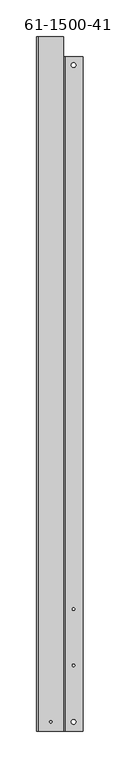
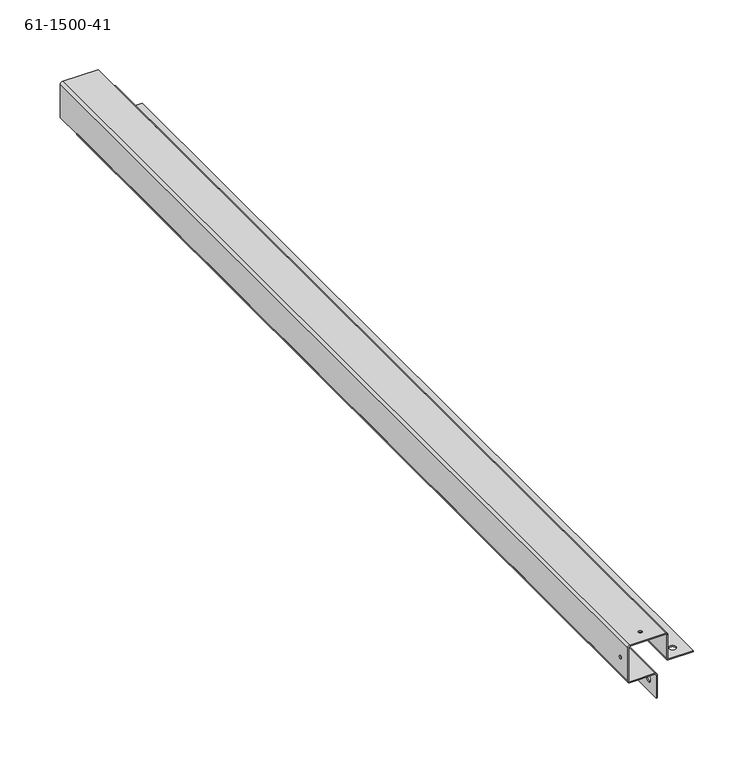
"""IFC4 building model written with IfcOpenShell, lengths in millimetres: proxy geometry, 61-1500-41."""

from ifc_helpers import new_model, si_unit, frame, origin, place, context, project, spatial, polyline, circle_curve, source, transform, mapped, element, save
from ifc_brep_helpers import plane_surface, cylinder_surface, revolved_surface, advanced_brep


def proxy_61_1500_41_99f2cf4b(model_context):
    return source(origin(), model_context, "Body", "AdvancedBrep", [
        advanced_brep(
        [(-22.5148049, -201.8149599, -26.93416), (-22.5148049, -201.8149599, -25.92832), (-28.8648049, -201.8149599, -25.92832), (-28.8648049, -201.8149599, -26.93416), (-22.5148049, 687.1850401, -26.93416), (-22.5148049, 687.1850401, -25.92832), (-28.8648049, 687.1850401, -25.92832), (-28.8648049, 687.1850401, -26.93416), (-47.6963649, -201.8149599, -45.76572), (-48.7022049, -201.8149599, -45.76572), (-48.7022049, -201.8149599, -52.11572), (-47.6963649, -201.8149599, -52.11572), (-47.6963649, 687.1850401, -45.76572), (-48.7022049, 687.1850401, -45.76572), (-48.7022049, 687.1850401, -52.11572), (-47.6963649, 687.1850401, -52.11572), (-74.6305249, -201.8149599, -16.52016), (-75.6363649, -201.8149599, -16.52016), (-75.6363649, -201.8149599, -19.56816), (-74.6305249, -201.8149599, -19.56816), (-55.0623649, -201.8149599, 0.0), (-55.0623649, -201.8149599, 1.00584), (-58.1103649, -201.8149599, 1.00584), (-58.1103649, -201.8149599, 0.0), (-23.9753049, -49.1101599, -26.93416), (-23.9753049, -49.1101599, -25.92832), (-27.4043049, -49.1101599, -25.92832), (-27.4043049, -49.1101599, -26.93416), (-23.9753049, -125.3101599, -26.93416), (-23.9753049, -125.3101599, -25.92832), (-27.4043049, -125.3101599, -25.92832), (-27.4043049, -125.3101599, -26.93416), (-47.6963649, -49.1101599, -47.22622), (-48.7022049, -49.1101599, -47.22622), (-48.7022049, -49.1101599, -50.65522), (-47.6963649, -49.1101599, -50.65522), (-47.6963649, -125.3101599, -47.22622), (-48.7022049, -125.3101599, -47.22622), (-48.7022049, -125.3101599, -50.65522), (-47.6963649, -125.3101599, -50.65522), (-75.6363649, 698.3661201, -35.08248), (-73.6246849, 698.3661201, -37.09416), (-73.6246849, -214.2101599, -37.09416), (-75.6363649, -214.2101599, -35.08248), (-49.7080449, 698.3661201, -37.09416), (-49.7080449, -214.2101599, -37.09416), (-49.7080449, 698.3661201, -36.08832), (-73.6246849, 698.3661201, -36.08832), (-73.6246849, -214.2101599, -36.08832), (-49.7080449, -214.2101599, -36.08832), (-39.5480449, 698.3661201, 0.0), (-38.5422049, 698.3661201, -1.00584), (-38.5422049, -214.2101599, -1.00584), (-39.5480449, -214.2101599, 0.0), (-73.6246849, -214.2101599, 1.00584), (-75.6363649, -214.2101599, -1.00584), (-48.7022049, -214.2101599, -38.1), (-48.7022049, -214.2101599, -61.48832), (-47.6963649, -214.2101599, -61.48832), (-47.6963649, -214.2101599, -38.1), (-74.6305249, -214.2101599, -35.08248), (-74.6305249, -214.2101599, -1.00584), (-73.6246849, -214.2101599, 0.0), (-38.5422049, -214.2101599, -24.92248), (-36.5305249, -214.2101599, -26.93416), (-13.1422049, -214.2101599, -26.93416), (-13.1422049, -214.2101599, -25.92832), (-36.5305249, -214.2101599, -25.92832), (-37.5363649, -214.2101599, -24.92248), (-37.5363649, -214.2101599, -1.00584), (-39.5480449, -214.2101599, 1.00584), (-38.5422049, 698.3661201, -24.92248), (-36.5305249, 698.3661201, -26.93416), (-73.6246849, 725.2850401, 0.0), (-39.5480449, 725.2850401, 0.0), (-74.6305249, 725.2850401, -1.00584), (-73.6246849, 725.2850401, 1.00584), (-75.6363649, 725.2850401, -1.00584), (-39.5480449, 698.3661201, 1.00584), (-39.5480449, 725.2850401, 1.00584), (-74.6305249, 698.3661201, -35.08248), (-74.6305249, 725.2850401, -35.08248), (-47.6963649, 698.3661201, -38.1), (-47.6963649, 698.3661201, -61.48832), (-48.7022049, 698.3661201, -61.48832), (-48.7022049, 698.3661201, -38.1), (-37.5363649, 698.3661201, -1.00584), (-37.5363649, 698.3661201, -24.92248), (-36.5305249, 698.3661201, -25.92832), (-13.1422049, 698.3661201, -25.92832), (-13.1422049, 698.3661201, -26.93416), (-75.6363649, 725.2850401, -35.08248)],
        [
            (0, 1),
            (1, 2, circle_curve(frame((-25.6898049, -201.8149599, -25.92832), z_axis=(0.0, 0.0, 1.0), x_axis=(1.0, 0.0, 0.0)), 3.175)),
            (2, 3),
            (3, 0, circle_curve(frame((-25.6898049, -201.8149599, -26.93416), z_axis=(0.0, 0.0, -1.0), x_axis=(1.0, 0.0, 0.0)), 3.175)),
            (4, 5),
            (5, 6, circle_curve(frame((-25.6898049, 687.1850401, -25.92832), z_axis=(0.0, 0.0, 1.0), x_axis=(1.0, 0.0, 0.0)), 3.175)),
            (6, 7),
            (7, 4, circle_curve(frame((-25.6898049, 687.1850401, -26.93416), z_axis=(0.0, 0.0, -1.0), x_axis=(1.0, 0.0, 0.0)), 3.175)),
            (8, 9),
            (9, 10, circle_curve(frame((-48.7022049, -201.8149599, -48.94072), z_axis=(-1.0, 0.0, 0.0), x_axis=(0.0, 0.0, 1.0)), 3.175)),
            (10, 11),
            (11, 8, circle_curve(frame((-47.6963649, -201.8149599, -48.94072), z_axis=(1.0, 0.0, 0.0), x_axis=(0.0, 0.0, 1.0)), 3.175)),
            (12, 13),
            (13, 14, circle_curve(frame((-48.7022049, 687.1850401, -48.94072), z_axis=(-1.0, 0.0, 0.0), x_axis=(0.0, 0.0, 1.0)), 3.175)),
            (14, 15),
            (15, 12, circle_curve(frame((-47.6963649, 687.1850401, -48.94072), z_axis=(1.0, 0.0, 0.0), x_axis=(0.0, 0.0, 1.0)), 3.175)),
            (16, 17),
            (17, 18, circle_curve(frame((-75.6363649, -201.8149599, -18.04416), z_axis=(-1.0, 0.0, 0.0), x_axis=(0.0, 0.0, 1.0)), 1.524)),
            (18, 19),
            (19, 16, circle_curve(frame((-74.6305249, -201.8149599, -18.04416), z_axis=(1.0, 0.0, 0.0), x_axis=(0.0, 0.0, 1.0)), 1.524)),
            (20, 21),
            (21, 22, circle_curve(frame((-56.5863649, -201.8149599, 1.00584), z_axis=(0.0, 0.0, 1.0), x_axis=(1.0, 0.0, 0.0)), 1.524)),
            (22, 23),
            (23, 20, circle_curve(frame((-56.5863649, -201.8149599, 0.0), z_axis=(0.0, 0.0, -1.0), x_axis=(1.0, 0.0, 0.0)), 1.524)),
            (24, 25),
            (25, 26, circle_curve(frame((-25.6898049, -49.1101599, -25.92832), z_axis=(0.0, 0.0, 1.0), x_axis=(1.0, 0.0, 0.0)), 1.7145)),
            (26, 27),
            (27, 24, circle_curve(frame((-25.6898049, -49.1101599, -26.93416), z_axis=(0.0, 0.0, -1.0), x_axis=(1.0, 0.0, 0.0)), 1.7145)),
            (28, 29),
            (29, 30, circle_curve(frame((-25.6898049, -125.3101599, -25.92832), z_axis=(0.0, 0.0, 1.0), x_axis=(1.0, 0.0, 0.0)), 1.7145)),
            (30, 31),
            (31, 28, circle_curve(frame((-25.6898049, -125.3101599, -26.93416), z_axis=(0.0, 0.0, -1.0), x_axis=(1.0, 0.0, 0.0)), 1.7145)),
            (32, 33),
            (33, 34, circle_curve(frame((-48.7022049, -49.1101599, -48.94072), z_axis=(-1.0, 0.0, 0.0), x_axis=(0.0, 0.0, 1.0)), 1.7145)),
            (34, 35),
            (35, 32, circle_curve(frame((-47.6963649, -49.1101599, -48.94072), z_axis=(1.0, 0.0, 0.0), x_axis=(0.0, 0.0, 1.0)), 1.7145)),
            (36, 37),
            (37, 38, circle_curve(frame((-48.7022049, -125.3101599, -48.94072), z_axis=(-1.0, 0.0, 0.0), x_axis=(0.0, 0.0, 1.0)), 1.7145)),
            (38, 39),
            (39, 36, circle_curve(frame((-47.6963649, -125.3101599, -48.94072), z_axis=(1.0, 0.0, 0.0), x_axis=(0.0, 0.0, 1.0)), 1.7145)),
            (40, 41, circle_curve(frame((-73.6246849, 698.3661201, -35.08248), z_axis=(0.0, -1.0, 0.0), x_axis=(-1.0, 0.0, 0.0)), 2.01168)),
            (41, 42),
            (42, 43, circle_curve(frame((-73.6246849, -214.2101599, -35.08248), z_axis=(0.0, 1.0, 0.0), x_axis=(-1.0, 0.0, 0.0)), 2.01168)),
            (43, 40),
            (41, 44),
            (44, 45),
            (45, 42),
            (46, 47),
            (47, 48),
            (48, 49),
            (49, 46),
            (50, 51, circle_curve(frame((-39.5480449, 698.3661201, -1.00584), z_axis=(0.0, 1.0, 0.0), x_axis=(0.0, 0.0, 1.0)), 1.00584)),
            (51, 52),
            (52, 53, circle_curve(frame((-39.5480449, -214.2101599, -1.00584), z_axis=(0.0, -1.0, 0.0), x_axis=(0.0, 0.0, 1.0)), 1.00584)),
            (53, 50),
            (36, 39, circle_curve(frame((-47.6963649, -125.3101599, -48.94072), z_axis=(1.0, 0.0, 0.0), x_axis=(0.0, 0.0, 1.0)), 1.7145)),
            (38, 37, circle_curve(frame((-48.7022049, -125.3101599, -48.94072), z_axis=(-1.0, 0.0, 0.0), x_axis=(0.0, 0.0, 1.0)), 1.7145)),
            (32, 35, circle_curve(frame((-47.6963649, -49.1101599, -48.94072), z_axis=(1.0, 0.0, 0.0), x_axis=(0.0, 0.0, 1.0)), 1.7145)),
            (34, 33, circle_curve(frame((-48.7022049, -49.1101599, -48.94072), z_axis=(-1.0, 0.0, 0.0), x_axis=(0.0, 0.0, 1.0)), 1.7145)),
            (28, 31, circle_curve(frame((-25.6898049, -125.3101599, -26.93416), z_axis=(0.0, 0.0, -1.0), x_axis=(1.0, 0.0, 0.0)), 1.7145)),
            (30, 29, circle_curve(frame((-25.6898049, -125.3101599, -25.92832), z_axis=(0.0, 0.0, 1.0), x_axis=(1.0, 0.0, 0.0)), 1.7145)),
            (24, 27, circle_curve(frame((-25.6898049, -49.1101599, -26.93416), z_axis=(0.0, 0.0, -1.0), x_axis=(1.0, 0.0, 0.0)), 1.7145)),
            (26, 25, circle_curve(frame((-25.6898049, -49.1101599, -25.92832), z_axis=(0.0, 0.0, 1.0), x_axis=(1.0, 0.0, 0.0)), 1.7145)),
            (54, 55, circle_curve(frame((-73.6246849, -214.2101599, -1.00584), z_axis=(0.0, -1.0, 0.0), x_axis=(0.0, 0.0, 1.0)), 2.01168)),
            (55, 43),
            (45, 56, circle_curve(frame((-49.7080449, -214.2101599, -38.1), z_axis=(0.0, 1.0, 0.0), x_axis=(0.0, 0.0, 1.0)), 1.00584)),
            (56, 57),
            (57, 58),
            (58, 59),
            (59, 49, circle_curve(frame((-49.7080449, -214.2101599, -38.1), z_axis=(0.0, -1.0, 0.0), x_axis=(0.0, 0.0, 1.0)), 2.01168)),
            (48, 60, circle_curve(frame((-73.6246849, -214.2101599, -35.08248), z_axis=(0.0, 1.0, 0.0), x_axis=(-1.0, 0.0, 0.0)), 1.00584)),
            (60, 61),
            (61, 62, circle_curve(frame((-73.6246849, -214.2101599, -1.00584), z_axis=(0.0, 1.0, 0.0), x_axis=(0.0, 0.0, 1.0)), 1.00584)),
            (62, 53),
            (52, 63),
            (63, 64, circle_curve(frame((-36.5305249, -214.2101599, -24.92248), z_axis=(0.0, -1.0, 0.0), x_axis=(-1.0, 0.0, 0.0)), 2.01168)),
            (64, 65),
            (65, 66),
            (66, 67),
            (67, 68, circle_curve(frame((-36.5305249, -214.2101599, -24.92248), z_axis=(0.0, 1.0, 0.0), x_axis=(-1.0, 0.0, 0.0)), 1.00584)),
            (68, 69),
            (69, 70, circle_curve(frame((-39.5480449, -214.2101599, -1.00584), z_axis=(0.0, -1.0, 0.0), x_axis=(0.0, 0.0, 1.0)), 2.01168)),
            (70, 54),
            (63, 71),
            (71, 72, circle_curve(frame((-36.5305249, 698.3661201, -24.92248), z_axis=(0.0, -1.0, 0.0), x_axis=(-1.0, 0.0, 0.0)), 2.01168)),
            (72, 64),
            (51, 71),
            (62, 73),
            (73, 74),
            (74, 50),
            (23, 20, circle_curve(frame((-56.5863649, -201.8149599, 0.0), z_axis=(0.0, 0.0, 1.0), x_axis=(1.0, 0.0, 0.0)), 1.524)),
            (61, 75),
            (75, 73, circle_curve(frame((-73.6246849, 725.2850401, -1.00584), z_axis=(0.0, 1.0, 0.0), x_axis=(0.0, 0.0, 1.0)), 1.00584)),
            (54, 76),
            (76, 77, circle_curve(frame((-73.6246849, 725.2850401, -1.00584), z_axis=(0.0, -1.0, 0.0), x_axis=(0.0, 0.0, 1.0)), 2.01168)),
            (77, 55),
            (70, 78),
            (78, 79),
            (79, 76),
            (21, 22, circle_curve(frame((-56.5863649, -201.8149599, 1.00584), z_axis=(0.0, 0.0, -1.0), x_axis=(1.0, 0.0, 0.0)), 1.524)),
            (60, 80),
            (80, 81),
            (81, 75),
            (19, 16, circle_curve(frame((-74.6305249, -201.8149599, -18.04416), z_axis=(-1.0, 0.0, 0.0), x_axis=(0.0, 0.0, 1.0)), 1.524)),
            (47, 80, circle_curve(frame((-73.6246849, 698.3661201, -35.08248), z_axis=(0.0, 1.0, 0.0), x_axis=(-1.0, 0.0, 0.0)), 1.00584)),
            (59, 82),
            (82, 46, circle_curve(frame((-49.7080449, 698.3661201, -38.1), z_axis=(0.0, -1.0, 0.0), x_axis=(0.0, 0.0, 1.0)), 2.01168)),
            (58, 83),
            (83, 82),
            (11, 8, circle_curve(frame((-47.6963649, -201.8149599, -48.94072), z_axis=(-1.0, 0.0, 0.0), x_axis=(0.0, 0.0, 1.0)), 3.175)),
            (15, 12, circle_curve(frame((-47.6963649, 687.1850401, -48.94072), z_axis=(-1.0, 0.0, 0.0), x_axis=(0.0, 0.0, 1.0)), 3.175)),
            (18, 17, circle_curve(frame((-75.6363649, -201.8149599, -18.04416), z_axis=(-1.0, 0.0, 0.0), x_axis=(0.0, 0.0, 1.0)), 1.524)),
            (83, 84),
            (84, 85),
            (85, 44, circle_curve(frame((-49.7080449, 698.3661201, -38.1), z_axis=(0.0, -1.0, 0.0), x_axis=(0.0, 0.0, 1.0)), 1.00584)),
            (40, 80),
            (50, 78),
            (78, 86, circle_curve(frame((-39.5480449, 698.3661201, -1.00584), z_axis=(0.0, 1.0, 0.0), x_axis=(0.0, 0.0, 1.0)), 2.01168)),
            (86, 87),
            (87, 88, circle_curve(frame((-36.5305249, 698.3661201, -24.92248), z_axis=(0.0, -1.0, 0.0), x_axis=(-1.0, 0.0, 0.0)), 1.00584)),
            (88, 89),
            (89, 90),
            (90, 72),
            (90, 65),
            (3, 0, circle_curve(frame((-25.6898049, -201.8149599, -26.93416), z_axis=(0.0, 0.0, 1.0), x_axis=(1.0, 0.0, 0.0)), 3.175)),
            (7, 4, circle_curve(frame((-25.6898049, 687.1850401, -26.93416), z_axis=(0.0, 0.0, 1.0), x_axis=(1.0, 0.0, 0.0)), 3.175)),
            (89, 66),
            (88, 67),
            (1, 2, circle_curve(frame((-25.6898049, -201.8149599, -25.92832), z_axis=(0.0, 0.0, -1.0), x_axis=(1.0, 0.0, 0.0)), 3.175)),
            (5, 6, circle_curve(frame((-25.6898049, 687.1850401, -25.92832), z_axis=(0.0, 0.0, -1.0), x_axis=(1.0, 0.0, 0.0)), 3.175)),
            (87, 68),
            (14, 13, circle_curve(frame((-48.7022049, 687.1850401, -48.94072), z_axis=(-1.0, 0.0, 0.0), x_axis=(0.0, 0.0, 1.0)), 3.175)),
            (10, 9, circle_curve(frame((-48.7022049, -201.8149599, -48.94072), z_axis=(-1.0, 0.0, 0.0), x_axis=(0.0, 0.0, 1.0)), 3.175)),
            (85, 56),
            (77, 91),
            (91, 40),
            (91, 81),
            (69, 86),
            (74, 79),
            (57, 84),
        ],
        [
            revolved_surface(polyline([(-22.514804899999998, -201.8149599, -25.92832), (-22.514804899999998, -201.8149599, -26.93416)]), (-25.6898049, -201.8149599, -35.45332), (0.0, 0.0, 1.0)),
            revolved_surface(polyline([(-22.514804899999998, 687.1850401, -25.92832), (-22.514804899999998, 687.1850401, -26.93416)]), (-25.6898049, 687.1850401, -35.45332), (0.0, 0.0, 1.0)),
            revolved_surface(polyline([(-48.7022049, -201.8149599, -45.76572), (-47.6963649, -201.8149599, -45.76572)]), (-39.1772049, -201.8149599, -48.94072), (-1.0, 0.0, 0.0)),
            revolved_surface(polyline([(-48.7022049, 687.1850401, -45.76572), (-47.6963649, 687.1850401, -45.76572)]), (-39.1772049, 687.1850401, -48.94072), (-1.0, 0.0, 0.0)),
            revolved_surface(polyline([(-75.6363649, -201.8149599, -16.52016), (-74.6305249, -201.8149599, -16.52016)]), (-66.1113649, -201.8149599, -18.04416), (-1.0, 0.0, 0.0)),
            revolved_surface(polyline([(-55.0623649, -201.8149599, 1.0058399999999992), (-55.0623649, -201.8149599, 0.0)]), (-56.5863649, -201.8149599, -8.51916), (0.0, 0.0, 1.0)),
            revolved_surface(polyline([(-23.975304899999998, -49.1101599, -25.92832), (-23.975304899999998, -49.1101599, -26.93416)]), (-25.6898049, -49.1101599, -35.45332), (0.0, 0.0, 1.0)),
            revolved_surface(polyline([(-23.975304899999998, -125.3101599, -25.92832), (-23.975304899999998, -125.3101599, -26.93416)]), (-25.6898049, -125.3101599, -35.45332), (0.0, 0.0, 1.0)),
            revolved_surface(polyline([(-48.7022049, -49.1101599, -47.22622), (-47.6963649, -49.1101599, -47.22622)]), (-39.1772049, -49.1101599, -48.94072), (-1.0, 0.0, 0.0)),
            revolved_surface(polyline([(-48.7022049, -125.3101599, -47.22622), (-47.6963649, -125.3101599, -47.22622)]), (-39.1772049, -125.3101599, -48.94072), (-1.0, 0.0, 0.0)),
            cylinder_surface(frame((-73.6246849, 242.6850401, -35.08248), z_axis=(0.0, -1.0, 0.0), x_axis=(-1.0, 0.0, 0.0)), 2.01168),
            plane_surface(frame((-61.6663649, 242.6850401, -37.09416), z_axis=(0.0, 0.0, -1.0), x_axis=(1.0, 0.0, 0.0))),
            plane_surface(frame((-61.6663649, 242.6850401, -36.08832), z_axis=(0.0, 0.0, 1.0), x_axis=(1.0, 0.0, 0.0))),
            revolved_surface(polyline([(-39.5480449, 698.3661201, 0.0), (-39.5480449, -214.21015990000004, 0.0)]), (-39.5480449, 242.6850401, -1.00584), (0.0, 1.0, 0.0)),
            plane_surface(frame((-75.6363649, -214.2101599, 1.00584), z_axis=(0.0, -1.0, 0.0), x_axis=(0.0, 0.0, 1.0))),
            cylinder_surface(frame((-36.5305249, 242.6850401, -24.92248), z_axis=(0.0, -1.0, 0.0), x_axis=(-1.0, 0.0, 0.0)), 2.01168),
            plane_surface(frame((-38.5422049, 242.6850401, -12.96416), z_axis=(-1.0, 0.0, 0.0), x_axis=(0.0, 0.0, -1.0))),
            plane_surface(frame((-56.5863649, 255.3850401, 0.0), z_axis=(0.0, 0.0, -1.0), x_axis=(1.0, 0.0, 0.0))),
            revolved_surface(polyline([(-73.6246849, -214.21015989999998, 0.0), (-73.6246849, 725.2850401, 0.0)]), (-73.6246849, 255.3850401, -1.00584), (0.0, -1.0, 0.0)),
            cylinder_surface(frame((-73.6246849, 255.3850401, -1.00584), z_axis=(0.0, -1.0, 0.0), x_axis=(0.0, 0.0, 1.0)), 2.01168),
            plane_surface(frame((-56.5863649, 255.3850401, 1.00584), z_axis=(0.0, 0.0, 1.0), x_axis=(1.0, 0.0, 0.0))),
            plane_surface(frame((-74.6305249, 255.3850401, -18.04416), z_axis=(1.0, 0.0, 0.0), x_axis=(0.0, 0.0, -1.0))),
            revolved_surface(polyline([(-74.63052490000001, -214.21015990000004, -35.08248), (-74.63052490000001, 698.3661201, -35.08248)]), (-73.6246849, 242.6850401, -35.08248), (0.0, -1.0, 0.0)),
            cylinder_surface(frame((-49.7080449, 242.6850401, -38.1), z_axis=(0.0, 1.0, 0.0), x_axis=(0.0, 0.0, 1.0)), 2.01168),
            plane_surface(frame((-47.6963649, 242.6850401, -48.78832), z_axis=(1.0, 0.0, 0.0), x_axis=(0.0, 0.0, -1.0))),
            plane_surface(frame((-47.6963649, 698.3661201, -35.08248), z_axis=(0.0, 1.0, 0.0), x_axis=(0.0, 0.0, -1.0))),
            plane_surface(frame((-13.1422049, 698.3661201, -26.93416), z_axis=(0.0, 1.0, 0.0), x_axis=(0.0, 0.0, -1.0))),
            plane_surface(frame((-25.8422049, 242.6850401, -26.93416), z_axis=(0.0, 0.0, -1.0), x_axis=(1.0, 0.0, 0.0))),
            plane_surface(frame((-13.1422049, 699.8850401, -26.93416), z_axis=(1.0, 0.0, 0.0), x_axis=(0.0, 0.0, -1.0))),
            plane_surface(frame((-25.8422049, 242.6850401, -25.92832), z_axis=(0.0, 0.0, 1.0), x_axis=(1.0, 0.0, 0.0))),
            revolved_surface(polyline([(-37.5363649, -214.21015990000004, -24.92248), (-37.5363649, 698.3661201, -24.92248)]), (-36.5305249, 242.6850401, -24.92248), (0.0, -1.0, 0.0)),
            revolved_surface(polyline([(-49.7080449, 698.3661201, -37.09416), (-49.7080449, -214.21015990000004, -37.09416)]), (-49.7080449, 242.6850401, -38.1), (0.0, 1.0, 0.0)),
            plane_surface(frame((-75.6363649, 255.3850401, -18.04416), z_axis=(-1.0, 0.0, 0.0), x_axis=(0.0, 0.0, -1.0))),
            plane_surface(frame((-75.6363649, -214.5149599, -35.08248), z_axis=(0.0, 0.0, -1.0), x_axis=(1.0, 0.0, 0.0))),
            cylinder_surface(frame((-39.5480449, 242.6850401, -1.00584), z_axis=(0.0, 1.0, 0.0), x_axis=(0.0, 0.0, 1.0)), 2.01168),
            plane_surface(frame((-39.5480449, 699.8850401, 1.00584), z_axis=(1.0, 0.0, 0.0), x_axis=(0.0, 0.0, 1.0))),
            plane_surface(frame((-37.5363649, 242.6850401, -12.96416), z_axis=(1.0, 0.0, 0.0), x_axis=(0.0, 0.0, -1.0))),
            plane_surface(frame((-75.6363649, 725.2850401, 1.00584), z_axis=(0.0, 1.0, 0.0), x_axis=(0.0, 0.0, 1.0))),
            plane_surface(frame((-47.6963649, -214.5149599, -61.48832), z_axis=(0.0, 0.0, -1.0), x_axis=(-1.0, 0.0, 0.0))),
            plane_surface(frame((-48.7022049, 242.6850401, -48.78832), z_axis=(-1.0, 0.0, 0.0), x_axis=(0.0, 0.0, -1.0))),
        ],
        [
            (0, [[1, 2, 3, 4]]),
            (1, [[5, 6, 7, 8]]),
            (2, [[9, 10, 11, 12]]),
            (3, [[13, 14, 15, 16]]),
            (4, [[17, 18, 19, 20]]),
            (5, [[21, 22, 23, 24]]),
            (6, [[25, 26, 27, 28]]),
            (7, [[29, 30, 31, 32]]),
            (8, [[33, 34, 35, 36]]),
            (9, [[37, 38, 39, 40]]),
            (10, [[41, 42, 43, 44]]),
            (11, [[45, 46, 47, -42]]),
            (12, [[48, 49, 50, 51]]),
            (13, [[52, 53, 54, 55]]),
            (9, [[-37, 56, -39, 57]]),
            (8, [[-33, 58, -35, 59]]),
            (7, [[-29, 60, -31, 61]]),
            (6, [[-25, 62, -27, 63]]),
            (14, [[64, 65, -43, -47, 66, 67, 68, 69, 70, -50, 71, 72, 73, 74, -54, 75, 76, 77, 78, 79, 80, 81, 82, 83]]),
            (15, [[-76, 84, 85, 86]]),
            (16, [[87, -84, -75, -53]]),
            (17, [[-74, 88, 89, 90, -55], [91, -24]]),
            (18, [[-73, 92, 93, -88]]),
            (19, [[-64, 94, 95, 96]]),
            (20, [[-83, 97, 98, 99, -94], [100, -22]]),
            (21, [[-72, 101, 102, 103, -92], [104, -20]]),
            (22, [[105, -101, -71, -49]]),
            (23, [[-70, 106, 107, -51]]),
            (24, [[-69, 108, 109, -106], [-56, -40], [-58, -36], [110, -12], [111, -16]]),
            (5, [[-21, -91, -23, -100]]),
            (4, [[-17, -104, -19, 112]]),
            (25, [[-107, -109, 113, 114, 115, -45, -41, 116, -105, -48]]),
            (26, [[-85, -87, -52, 117, 118, 119, 120, 121, 122, 123]]),
            (27, [[-77, -86, -123, 124], [-60, -32], [-62, -28], [125, -4], [126, -8]]),
            (28, [[-78, -124, -122, 127]]),
            (29, [[-79, -127, -121, 128], [-61, -30], [-63, -26], [129, -2], [130, -6]]),
            (30, [[-80, -128, -120, 131]]),
            (3, [[-13, -111, -15, 132]]),
            (2, [[-9, -110, -11, 133]]),
            (1, [[-5, -126, -7, -130]]),
            (0, [[-1, -125, -3, -129]]),
            (31, [[-66, -46, -115, 134]]),
            (32, [[-65, -96, 135, 136, -44], [-112, -18]]),
            (33, [[-136, 137, -102, -116]]),
            (34, [[-118, -97, -82, 138]]),
            (35, [[-90, 139, -98, -117]]),
            (36, [[-119, -138, -81, -131]]),
            (37, [[-137, -135, -95, -99, -139, -89, -93, -103]]),
            (38, [[-68, 140, -113, -108]]),
            (39, [[-67, -134, -114, -140], [-57, -38], [-59, -34], [-132, -14], [-133, -10]]),
        ],
    ),
    ])


if __name__ == "__main__":
    model = new_model("IFC4")
    model_context = context("Model", 3, world=origin())
    ifc_project = project(units=[si_unit("LENGTHUNIT", "METRE", prefix="MILLI")], contexts=[model_context])
    site = spatial("IfcSite", under=ifc_project)
    building = spatial("IfcBuilding", under=site)
    placement = place(None, origin())
    proxy_61_1500_41_shape = proxy_61_1500_41_99f2cf4b(model_context)
    element("IfcBuildingElementProxy", 1, Name="61-1500-41", ObjectType="61-1500-41", at=placement, inside=building, context=model_context, shape_type="MappedRepresentation", body=[
        mapped(proxy_61_1500_41_shape, transform((0.0, 0.0, 0.0), x_axis=(1.0, 0.0, 0.0), y_axis=(0.0, 1.0, 0.0), z_axis=(0.0, 0.0, 1.0))),
    ])
    save(model, "model.ifc")
